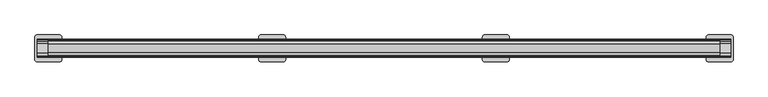
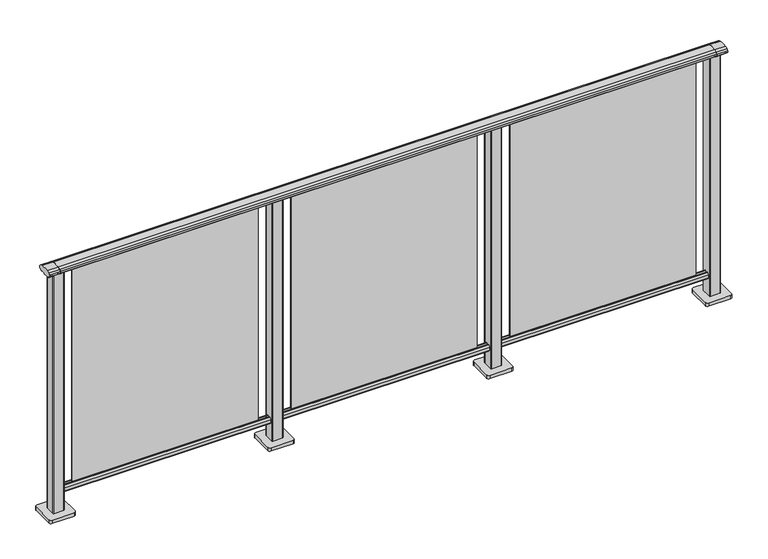
"""IFC4 building model written with IfcOpenShell, lengths in millimetres: railing geometry."""

from ifc_helpers import new_model, si_unit, point, frame, frame_2d, origin, origin_with_axes, place, context, project, spatial, polyline, circle_curve, trimmed, segment, composite_curve, outline, extrude, source, transform, mapped, element, save


def railing_6890f56e(model_context):
    return source(origin(), model_context, "Body", "SweptSolid", [
        extrude(outline(composite_curve([segment(trimmed(circle_curve(frame_2d((9095.3619413, 1153.851602)), 44.999996), [point((9106.0673858, 1197.5596459))], [point((9118.2601573, 1192.5901015))], False, "CARTESIAN"), True, "CONTINUOUS"), segment(trimmed(circle_curve(frame_2d((9109.6097194, 1177.955556)), 17.0), [point((9118.2601573, 1192.5901015))], [point((9124.1544589, 1186.7561556))], False, "CARTESIAN"), True, "CONTINUOUS"), segment(trimmed(circle_curve(frame_2d((9117.0959826, 1182.4852765)), 8.2499997), [point((9124.1544589, 1186.7561556))], [point((9124.1544535, 1178.2143885))], False, "CARTESIAN"), True, "CONTINUOUS"), segment(trimmed(circle_curve(frame_2d((9109.6097251, 1187.0150065)), 17.0), [point((9124.1544535, 1178.2143885))], [point((9118.2601665, 1172.380463))], False, "CARTESIAN"), True, "CONTINUOUS"), segment(trimmed(circle_curve(frame_2d((9095.3619413, 1211.1189571)), 44.999996), [point((9118.2601665, 1172.380463))], [point((9113.7876029, 1170.064181))], False, "CARTESIAN"), True, "CONTINUOUS"), segment(trimmed(circle_curve(frame_2d((9113.1786159, 1172.1635324)), 2.185896), [point((9113.7876029, 1170.064181))], [point((9112.9960148, 1169.9852766))], False, "CARTESIAN"), True, "CONTINUOUS"), segment(trimmed(circle_curve(frame_2d((9112.9960148, 1170.8852766)), 0.9), [point((9112.9960148, 1169.9852766))], [point((9112.0981091, 1170.8239135))], False, "CARTESIAN"), True, "CONTINUOUS"), segment(trimmed(circle_curve(frame_2d((9111.5194733, 1170.8239135)), 0.5786359), [point((9112.0981091, 1170.8239135))], [point((9111.5194733, 1170.2452777))], False, "CARTESIAN"), True, "CONTINUOUS"), segment(polyline([(9111.5194733, 1170.2452777), (9094.5751393, 1170.2452777)]), True, "CONTINUOUS"), segment(trimmed(circle_curve(frame_2d((9085.8508208, 1187.1238497)), 18.999998), [point((9094.5751393, 1170.2452777))], [point((9077.1265024, 1170.2452777))], False, "CARTESIAN"), True, "CONTINUOUS"), segment(polyline([(9077.1265024, 1170.2452777), (9060.1821348, 1170.2452777)]), True, "CONTINUOUS"), segment(trimmed(circle_curve(frame_2d((9060.1821348, 1170.8239135)), 0.5786359), [point((9060.1821348, 1170.2452777))], [point((9059.603499, 1170.8239135))], False, "CARTESIAN"), True, "CONTINUOUS"), segment(trimmed(circle_curve(frame_2d((9058.7055933, 1170.8852766)), 0.9), [point((9059.603499, 1170.8239135))], [point((9058.7055933, 1169.9852766))], False, "CARTESIAN"), True, "CONTINUOUS"), segment(trimmed(circle_curve(frame_2d((9058.5229922, 1172.1635324)), 2.185896), [point((9058.7055933, 1169.9852766))], [point((9057.9140052, 1170.064181))], False, "CARTESIAN"), True, "CONTINUOUS"), segment(trimmed(circle_curve(frame_2d((9076.3396668, 1211.1189571)), 44.999996), [point((9057.9140052, 1170.064181))], [point((9053.8767914, 1172.1264081))], False, "CARTESIAN"), True, "CONTINUOUS"), segment(trimmed(circle_curve(frame_2d((9062.082215, 1187.0150288)), 17.0), [point((9053.8767914, 1172.1264081))], [point((9047.5375128, 1178.2143675))], False, "CARTESIAN"), True, "CONTINUOUS"), segment(trimmed(circle_curve(frame_2d((9054.595971, 1182.4852765)), 8.2499997), [point((9047.5375128, 1178.2143675))], [point((9047.5375074, 1186.7561766))], False, "CARTESIAN"), True, "CONTINUOUS"), segment(trimmed(circle_curve(frame_2d((9062.0822207, 1177.9555337)), 17.0), [point((9047.5375074, 1186.7561766))], [point((9053.4317599, 1192.5900657))], False, "CARTESIAN"), True, "CONTINUOUS"), segment(trimmed(circle_curve(frame_2d((9076.3300365, 1153.851602)), 44.999996), [point((9053.4317599, 1192.5900657))], [point((9065.624592, 1197.5596459))], False, "CARTESIAN"), True, "CONTINUOUS"), segment(trimmed(circle_curve(frame_2d((9085.8459889, 1115.0000001)), 85.0), [point((9065.624592, 1197.5596459))], [point((9106.0673858, 1197.5596459))], False, "CARTESIAN"), True, "CONTINUOUS")], self_intersect=False)), frame((3691.3946925, 0.0, 0.0), z_axis=(1.0, 0.0, 0.0), x_axis=(0.0, 1.0, 0.0)), (0.0, 0.0, 1.0), 3000.0),
        extrude(outline(composite_curve([segment(polyline([(9101.5508136, 100.0), (9070.1507946, 100.0)]), True, "CONTINUOUS"), segment(trimmed(circle_curve(frame_2d((9070.1507946, 101.8)), 1.8), [point((9070.1507946, 100.0))], [point((9068.3507946, 101.8))], False, "CARTESIAN"), True, "CONTINUOUS"), segment(polyline([(9068.3507946, 101.8), (9068.3507946, 115.5269955)]), True, "CONTINUOUS"), segment(trimmed(circle_curve(frame_2d((9070.1507946, 115.5269955)), 1.8), [point((9068.3507946, 115.5269955))], [point((9068.7923399, 116.7079277))], False, "CARTESIAN"), True, "CONTINUOUS"), segment(polyline([(9068.7923399, 116.7079277), (9075.4626384, 124.3809322)]), True, "CONTINUOUS"), segment(trimmed(circle_curve(frame_2d((9076.8210931, 123.2)), 1.8), [point((9075.4626384, 124.3809322))], [point((9076.8210931, 125.0))], False, "CARTESIAN"), True, "CONTINUOUS"), segment(polyline([(9076.8210931, 125.0), (9080.5111113, 125.0), (9081.809143, 113.0), (9089.8924411, 113.0), (9091.1904978, 125.0), (9094.88054, 125.0)]), True, "CONTINUOUS"), segment(trimmed(circle_curve(frame_2d((9094.88054, 123.2)), 1.8), [point((9094.88054, 125.0))], [point((9096.2389969, 124.3809297))], False, "CARTESIAN"), True, "CONTINUOUS"), segment(polyline([(9096.2389969, 124.3809297), (9102.9092704, 116.7079252)]), True, "CONTINUOUS"), segment(trimmed(circle_curve(frame_2d((9101.5508136, 115.5269955)), 1.8), [point((9102.9092704, 116.7079252))], [point((9103.3508136, 115.5269955))], False, "CARTESIAN"), True, "CONTINUOUS"), segment(polyline([(9103.3508136, 115.5269955), (9103.3508136, 101.8)]), True, "CONTINUOUS"), segment(trimmed(circle_curve(frame_2d((9101.5508136, 101.8)), 1.8), [point((9103.3508136, 101.8))], [point((9101.5508136, 100.0))], False, "CARTESIAN"), True, "CONTINUOUS")], self_intersect=False)), frame((3691.3946925, 0.0, 0.0), z_axis=(1.0, 0.0, 0.0), x_axis=(0.0, 1.0, 0.0)), (0.0, 0.0, 1.0), 3000.0),
        extrude(outline(polyline([(5766.3946925, 9087.8508041), (6616.3946925, 9087.8508041), (6616.3946925, 9083.8508041), (5766.3946925, 9083.8508041), (5766.3946925, 9087.8508041)])), frame((0.0, 0.0, 125.0), z_axis=(0.0, 0.0, 1.0), x_axis=(1.0, 0.0, 0.0)), (0.0, 0.0, 1.0), 1043.1238517),
        extrude(outline(composite_curve([segment(trimmed(circle_curve(frame_2d((5668.994681, 9108.2508266)), 3.0), [point((5665.994681, 9108.2508266))], [point((5668.994681, 9111.2508266))], False, "CARTESIAN"), True, "CONTINUOUS"), segment(polyline([(5668.994681, 9111.2508266), (5713.794704, 9111.2508266)]), True, "CONTINUOUS"), segment(trimmed(circle_curve(frame_2d((5713.794704, 9108.2508266)), 3.0), [point((5713.794704, 9111.2508266))], [point((5716.794704, 9108.2508266))], False, "CARTESIAN"), True, "CONTINUOUS"), segment(polyline([(5716.794704, 9108.2508266), (5716.794704, 9063.4508036)]), True, "CONTINUOUS"), segment(trimmed(circle_curve(frame_2d((5713.794704, 9063.4508036)), 3.0), [point((5716.794704, 9063.4508036))], [point((5713.794704, 9060.4508036))], False, "CARTESIAN"), True, "CONTINUOUS"), segment(polyline([(5713.794704, 9060.4508036), (5668.994681, 9060.4508036)]), True, "CONTINUOUS"), segment(trimmed(circle_curve(frame_2d((5668.994681, 9063.4508036)), 3.0), [point((5668.994681, 9060.4508036))], [point((5665.994681, 9063.4508036))], False, "CARTESIAN"), True, "CONTINUOUS"), segment(polyline([(5665.994681, 9063.4508036), (5665.994681, 9108.2508266)]), True, "CONTINUOUS")], self_intersect=False)), frame((0.0, 0.0, 16.0), z_axis=(0.0, 0.0, 1.0), x_axis=(1.0, 0.0, 0.0)), (0.0, 0.0, 1.0), 1152.1238517),
        extrude(outline(composite_curve([segment(trimmed(circle_curve(frame_2d((5641.394681, 9135.8508151)), 10.0), [point((5631.394681, 9135.8508151))], [point((5641.394681, 9145.8508151))], False, "CARTESIAN"), True, "CONTINUOUS"), segment(polyline([(5641.394681, 9145.8508151), (5741.394681, 9145.8508151)]), True, "CONTINUOUS"), segment(trimmed(circle_curve(frame_2d((5741.394681, 9135.8508151)), 10.0), [point((5741.394681, 9145.8508151))], [point((5751.394681, 9135.8508151))], False, "CARTESIAN"), True, "CONTINUOUS"), segment(polyline([(5751.394681, 9135.8508151), (5751.394681, 9035.8508151)]), True, "CONTINUOUS"), segment(trimmed(circle_curve(frame_2d((5741.394681, 9035.8508151)), 10.0), [point((5751.394681, 9035.8508151))], [point((5741.394681, 9025.8508151))], False, "CARTESIAN"), True, "CONTINUOUS"), segment(polyline([(5741.394681, 9025.8508151), (5641.394681, 9025.8508151)]), True, "CONTINUOUS"), segment(trimmed(circle_curve(frame_2d((5641.394681, 9035.8508151)), 10.0), [point((5641.394681, 9025.8508151))], [point((5631.394681, 9035.8508151))], False, "CARTESIAN"), True, "CONTINUOUS"), segment(polyline([(5631.394681, 9035.8508151), (5631.394681, 9135.8508151)]), True, "CONTINUOUS")], self_intersect=False)), origin_with_axes(), (0.0, 0.0, 1.0), 16.0),
        extrude(outline(polyline([(4766.3946925, 9087.8508041), (5616.3946925, 9087.8508041), (5616.3946925, 9083.8508041), (4766.3946925, 9083.8508041), (4766.3946925, 9087.8508041)])), frame((0.0, 0.0, 125.0), z_axis=(0.0, 0.0, 1.0), x_axis=(1.0, 0.0, 0.0)), (0.0, 0.0, 1.0), 1043.1238517),
        extrude(outline(composite_curve([segment(trimmed(circle_curve(frame_2d((4668.994681, 9108.2508266)), 3.0), [point((4665.994681, 9108.2508266))], [point((4668.994681, 9111.2508266))], False, "CARTESIAN"), True, "CONTINUOUS"), segment(polyline([(4668.994681, 9111.2508266), (4713.794704, 9111.2508266)]), True, "CONTINUOUS"), segment(trimmed(circle_curve(frame_2d((4713.794704, 9108.2508266)), 3.0), [point((4713.794704, 9111.2508266))], [point((4716.794704, 9108.2508266))], False, "CARTESIAN"), True, "CONTINUOUS"), segment(polyline([(4716.794704, 9108.2508266), (4716.794704, 9063.4508036)]), True, "CONTINUOUS"), segment(trimmed(circle_curve(frame_2d((4713.794704, 9063.4508036)), 3.0), [point((4716.794704, 9063.4508036))], [point((4713.794704, 9060.4508036))], False, "CARTESIAN"), True, "CONTINUOUS"), segment(polyline([(4713.794704, 9060.4508036), (4668.994681, 9060.4508036)]), True, "CONTINUOUS"), segment(trimmed(circle_curve(frame_2d((4668.994681, 9063.4508036)), 3.0), [point((4668.994681, 9060.4508036))], [point((4665.994681, 9063.4508036))], False, "CARTESIAN"), True, "CONTINUOUS"), segment(polyline([(4665.994681, 9063.4508036), (4665.994681, 9108.2508266)]), True, "CONTINUOUS")], self_intersect=False)), frame((0.0, 0.0, 16.0), z_axis=(0.0, 0.0, 1.0), x_axis=(1.0, 0.0, 0.0)), (0.0, 0.0, 1.0), 1152.1238517),
        extrude(outline(composite_curve([segment(trimmed(circle_curve(frame_2d((4641.394681, 9135.8508151)), 10.0), [point((4631.394681, 9135.8508151))], [point((4641.394681, 9145.8508151))], False, "CARTESIAN"), True, "CONTINUOUS"), segment(polyline([(4641.394681, 9145.8508151), (4741.394681, 9145.8508151)]), True, "CONTINUOUS"), segment(trimmed(circle_curve(frame_2d((4741.394681, 9135.8508151)), 10.0), [point((4741.394681, 9145.8508151))], [point((4751.394681, 9135.8508151))], False, "CARTESIAN"), True, "CONTINUOUS"), segment(polyline([(4751.394681, 9135.8508151), (4751.394681, 9035.8508151)]), True, "CONTINUOUS"), segment(trimmed(circle_curve(frame_2d((4741.394681, 9035.8508151)), 10.0), [point((4751.394681, 9035.8508151))], [point((4741.394681, 9025.8508151))], False, "CARTESIAN"), True, "CONTINUOUS"), segment(polyline([(4741.394681, 9025.8508151), (4641.394681, 9025.8508151)]), True, "CONTINUOUS"), segment(trimmed(circle_curve(frame_2d((4641.394681, 9035.8508151)), 10.0), [point((4641.394681, 9025.8508151))], [point((4631.394681, 9035.8508151))], False, "CARTESIAN"), True, "CONTINUOUS"), segment(polyline([(4631.394681, 9035.8508151), (4631.394681, 9135.8508151)]), True, "CONTINUOUS")], self_intersect=False)), origin_with_axes(), (0.0, 0.0, 1.0), 16.0),
        extrude(outline(polyline([(3766.3946925, 9087.8508041), (4616.3946925, 9087.8508041), (4616.3946925, 9083.8508041), (3766.3946925, 9083.8508041), (3766.3946925, 9087.8508041)])), frame((0.0, 0.0, 125.0), z_axis=(0.0, 0.0, 1.0), x_axis=(1.0, 0.0, 0.0)), (0.0, 0.0, 1.0), 1043.1238517),
        extrude(outline(composite_curve([segment(trimmed(circle_curve(frame_2d((6668.994681, 9108.2508266)), 3.0), [point((6665.994681, 9108.2508266))], [point((6668.994681, 9111.2508266))], False, "CARTESIAN"), True, "CONTINUOUS"), segment(polyline([(6668.994681, 9111.2508266), (6713.794704, 9111.2508266)]), True, "CONTINUOUS"), segment(trimmed(circle_curve(frame_2d((6713.794704, 9108.2508266)), 3.0), [point((6713.794704, 9111.2508266))], [point((6716.794704, 9108.2508266))], False, "CARTESIAN"), True, "CONTINUOUS"), segment(polyline([(6716.794704, 9108.2508266), (6716.794704, 9063.4508036)]), True, "CONTINUOUS"), segment(trimmed(circle_curve(frame_2d((6713.794704, 9063.4508036)), 3.0), [point((6716.794704, 9063.4508036))], [point((6713.794704, 9060.4508036))], False, "CARTESIAN"), True, "CONTINUOUS"), segment(polyline([(6713.794704, 9060.4508036), (6668.994681, 9060.4508036)]), True, "CONTINUOUS"), segment(trimmed(circle_curve(frame_2d((6668.994681, 9063.4508036)), 3.0), [point((6668.994681, 9060.4508036))], [point((6665.994681, 9063.4508036))], False, "CARTESIAN"), True, "CONTINUOUS"), segment(polyline([(6665.994681, 9063.4508036), (6665.994681, 9108.2508266)]), True, "CONTINUOUS")], self_intersect=False)), frame((0.0, 0.0, 16.0), z_axis=(0.0, 0.0, 1.0), x_axis=(1.0, 0.0, 0.0)), (0.0, 0.0, 1.0), 1152.1238517),
        extrude(outline(composite_curve([segment(trimmed(circle_curve(frame_2d((6641.394681, 9135.8508151)), 10.0), [point((6631.394681, 9135.8508151))], [point((6641.394681, 9145.8508151))], False, "CARTESIAN"), True, "CONTINUOUS"), segment(polyline([(6641.394681, 9145.8508151), (6741.394681, 9145.8508151)]), True, "CONTINUOUS"), segment(trimmed(circle_curve(frame_2d((6741.394681, 9135.8508151)), 10.0), [point((6741.394681, 9145.8508151))], [point((6751.394681, 9135.8508151))], False, "CARTESIAN"), True, "CONTINUOUS"), segment(polyline([(6751.394681, 9135.8508151), (6751.394681, 9035.8508151)]), True, "CONTINUOUS"), segment(trimmed(circle_curve(frame_2d((6741.394681, 9035.8508151)), 10.0), [point((6751.394681, 9035.8508151))], [point((6741.394681, 9025.8508151))], False, "CARTESIAN"), True, "CONTINUOUS"), segment(polyline([(6741.394681, 9025.8508151), (6641.394681, 9025.8508151)]), True, "CONTINUOUS"), segment(trimmed(circle_curve(frame_2d((6641.394681, 9035.8508151)), 10.0), [point((6641.394681, 9025.8508151))], [point((6631.394681, 9035.8508151))], False, "CARTESIAN"), True, "CONTINUOUS"), segment(polyline([(6631.394681, 9035.8508151), (6631.394681, 9135.8508151)]), True, "CONTINUOUS")], self_intersect=False)), origin_with_axes(), (0.0, 0.0, 1.0), 16.0),
        extrude(outline(composite_curve([segment(trimmed(circle_curve(frame_2d((9095.3619413, 1153.7397763)), 44.999996), [point((9106.0673858, 1197.4478202))], [point((9118.2601573, 1192.4782759))], False, "CARTESIAN"), True, "CONTINUOUS"), segment(trimmed(circle_curve(frame_2d((9109.6097194, 1177.8437303)), 17.0), [point((9118.2601573, 1192.4782759))], [point((9124.1544589, 1186.64433))], False, "CARTESIAN"), True, "CONTINUOUS"), segment(trimmed(circle_curve(frame_2d((9117.0959826, 1182.3734509)), 8.2499997), [point((9124.1544589, 1186.64433))], [point((9124.1544535, 1178.1025629))], False, "CARTESIAN"), True, "CONTINUOUS"), segment(trimmed(circle_curve(frame_2d((9109.6097251, 1186.9031808)), 17.0), [point((9124.1544535, 1178.1025629))], [point((9118.2601665, 1172.2686373))], False, "CARTESIAN"), True, "CONTINUOUS"), segment(trimmed(circle_curve(frame_2d((9095.3619413, 1211.0071314)), 44.999996), [point((9118.2601665, 1172.2686373))], [point((9113.7876029, 1169.9523554))], False, "CARTESIAN"), True, "CONTINUOUS"), segment(trimmed(circle_curve(frame_2d((9113.1786159, 1172.0517067)), 2.185896), [point((9113.7876029, 1169.9523554))], [point((9112.9960148, 1169.873451))], False, "CARTESIAN"), True, "CONTINUOUS"), segment(trimmed(circle_curve(frame_2d((9112.9960148, 1170.773451)), 0.9), [point((9112.9960148, 1169.873451))], [point((9112.0981091, 1170.7120879))], False, "CARTESIAN"), True, "CONTINUOUS"), segment(trimmed(circle_curve(frame_2d((9111.5194733, 1170.7120879)), 0.5786359), [point((9112.0981091, 1170.7120879))], [point((9111.5194733, 1170.133452))], False, "CARTESIAN"), True, "CONTINUOUS"), segment(polyline([(9111.5194733, 1170.133452), (9094.5751393, 1170.133452)]), True, "CONTINUOUS"), segment(trimmed(circle_curve(frame_2d((9085.8508208, 1187.012024)), 18.999998), [point((9094.5751393, 1170.133452))], [point((9077.1265024, 1170.133452))], False, "CARTESIAN"), True, "CONTINUOUS"), segment(polyline([(9077.1265024, 1170.133452), (9060.1821348, 1170.133452)]), True, "CONTINUOUS"), segment(trimmed(circle_curve(frame_2d((9060.1821348, 1170.7120879)), 0.5786359), [point((9060.1821348, 1170.133452))], [point((9059.603499, 1170.7120879))], False, "CARTESIAN"), True, "CONTINUOUS"), segment(trimmed(circle_curve(frame_2d((9058.7055933, 1170.773451)), 0.9), [point((9059.603499, 1170.7120879))], [point((9058.7055933, 1169.873451))], False, "CARTESIAN"), True, "CONTINUOUS"), segment(trimmed(circle_curve(frame_2d((9058.5229922, 1172.0517067)), 2.185896), [point((9058.7055933, 1169.873451))], [point((9057.9140052, 1169.9523554))], False, "CARTESIAN"), True, "CONTINUOUS"), segment(trimmed(circle_curve(frame_2d((9076.3396668, 1211.0071314)), 44.999996), [point((9057.9140052, 1169.9523554))], [point((9053.8767914, 1172.0145825))], False, "CARTESIAN"), True, "CONTINUOUS"), segment(trimmed(circle_curve(frame_2d((9062.082215, 1186.9032031)), 17.0), [point((9053.8767914, 1172.0145825))], [point((9047.5375128, 1178.1025419))], False, "CARTESIAN"), True, "CONTINUOUS"), segment(trimmed(circle_curve(frame_2d((9054.595971, 1182.3734509)), 8.2499997), [point((9047.5375128, 1178.1025419))], [point((9047.5375074, 1186.644351))], False, "CARTESIAN"), True, "CONTINUOUS"), segment(trimmed(circle_curve(frame_2d((9062.0822207, 1177.843708)), 17.0), [point((9047.5375074, 1186.644351))], [point((9053.4317599, 1192.4782401))], False, "CARTESIAN"), True, "CONTINUOUS"), segment(trimmed(circle_curve(frame_2d((9076.3300365, 1153.7397763)), 44.999996), [point((9053.4317599, 1192.4782401))], [point((9065.624592, 1197.4478202))], False, "CARTESIAN"), True, "CONTINUOUS"), segment(trimmed(circle_curve(frame_2d((9085.8459889, 1114.8881745)), 85.0), [point((9065.624592, 1197.4478202))], [point((9106.0673858, 1197.4478202))], False, "CARTESIAN"), True, "CONTINUOUS")], self_intersect=False)), frame((6691.3946925, 0.0, 0.0), z_axis=(1.0, 0.0, 0.0), x_axis=(0.0, 1.0, 0.0)), (0.0, 0.0, 1.0), 50.0),
        extrude(outline(composite_curve([segment(trimmed(circle_curve(frame_2d((3668.994681, 9108.2508266)), 3.0), [point((3665.994681, 9108.2508266))], [point((3668.994681, 9111.2508266))], False, "CARTESIAN"), True, "CONTINUOUS"), segment(polyline([(3668.994681, 9111.2508266), (3713.794704, 9111.2508266)]), True, "CONTINUOUS"), segment(trimmed(circle_curve(frame_2d((3713.794704, 9108.2508266)), 3.0), [point((3713.794704, 9111.2508266))], [point((3716.794704, 9108.2508266))], False, "CARTESIAN"), True, "CONTINUOUS"), segment(polyline([(3716.794704, 9108.2508266), (3716.794704, 9063.4508036)]), True, "CONTINUOUS"), segment(trimmed(circle_curve(frame_2d((3713.794704, 9063.4508036)), 3.0), [point((3716.794704, 9063.4508036))], [point((3713.794704, 9060.4508036))], False, "CARTESIAN"), True, "CONTINUOUS"), segment(polyline([(3713.794704, 9060.4508036), (3668.994681, 9060.4508036)]), True, "CONTINUOUS"), segment(trimmed(circle_curve(frame_2d((3668.994681, 9063.4508036)), 3.0), [point((3668.994681, 9060.4508036))], [point((3665.994681, 9063.4508036))], False, "CARTESIAN"), True, "CONTINUOUS"), segment(polyline([(3665.994681, 9063.4508036), (3665.994681, 9108.2508266)]), True, "CONTINUOUS")], self_intersect=False)), frame((0.0, 0.0, 16.0), z_axis=(0.0, 0.0, 1.0), x_axis=(1.0, 0.0, 0.0)), (0.0, 0.0, 1.0), 1152.1238517),
        extrude(outline(composite_curve([segment(trimmed(circle_curve(frame_2d((3641.394681, 9135.8508151)), 10.0), [point((3631.394681, 9135.8508151))], [point((3641.394681, 9145.8508151))], False, "CARTESIAN"), True, "CONTINUOUS"), segment(polyline([(3641.394681, 9145.8508151), (3741.394681, 9145.8508151)]), True, "CONTINUOUS"), segment(trimmed(circle_curve(frame_2d((3741.394681, 9135.8508151)), 10.0), [point((3741.394681, 9145.8508151))], [point((3751.394681, 9135.8508151))], False, "CARTESIAN"), True, "CONTINUOUS"), segment(polyline([(3751.394681, 9135.8508151), (3751.394681, 9035.8508151)]), True, "CONTINUOUS"), segment(trimmed(circle_curve(frame_2d((3741.394681, 9035.8508151)), 10.0), [point((3751.394681, 9035.8508151))], [point((3741.394681, 9025.8508151))], False, "CARTESIAN"), True, "CONTINUOUS"), segment(polyline([(3741.394681, 9025.8508151), (3641.394681, 9025.8508151)]), True, "CONTINUOUS"), segment(trimmed(circle_curve(frame_2d((3641.394681, 9035.8508151)), 10.0), [point((3641.394681, 9025.8508151))], [point((3631.394681, 9035.8508151))], False, "CARTESIAN"), True, "CONTINUOUS"), segment(polyline([(3631.394681, 9035.8508151), (3631.394681, 9135.8508151)]), True, "CONTINUOUS")], self_intersect=False)), origin_with_axes(), (0.0, 0.0, 1.0), 16.0),
        extrude(outline(composite_curve([segment(trimmed(circle_curve(frame_2d((9095.3619413, 1153.7397763)), 44.999996), [point((9106.0673858, 1197.4478202))], [point((9118.2601573, 1192.4782759))], False, "CARTESIAN"), True, "CONTINUOUS"), segment(trimmed(circle_curve(frame_2d((9109.6097194, 1177.8437303)), 17.0), [point((9118.2601573, 1192.4782759))], [point((9124.1544589, 1186.64433))], False, "CARTESIAN"), True, "CONTINUOUS"), segment(trimmed(circle_curve(frame_2d((9117.0959826, 1182.3734509)), 8.2499997), [point((9124.1544589, 1186.64433))], [point((9124.1544535, 1178.1025629))], False, "CARTESIAN"), True, "CONTINUOUS"), segment(trimmed(circle_curve(frame_2d((9109.6097251, 1186.9031808)), 17.0), [point((9124.1544535, 1178.1025629))], [point((9118.2601665, 1172.2686373))], False, "CARTESIAN"), True, "CONTINUOUS"), segment(trimmed(circle_curve(frame_2d((9095.3619413, 1211.0071314)), 44.999996), [point((9118.2601665, 1172.2686373))], [point((9113.7876029, 1169.9523554))], False, "CARTESIAN"), True, "CONTINUOUS"), segment(trimmed(circle_curve(frame_2d((9113.1786159, 1172.0517067)), 2.185896), [point((9113.7876029, 1169.9523554))], [point((9112.9960148, 1169.873451))], False, "CARTESIAN"), True, "CONTINUOUS"), segment(trimmed(circle_curve(frame_2d((9112.9960148, 1170.773451)), 0.9), [point((9112.9960148, 1169.873451))], [point((9112.0981091, 1170.7120879))], False, "CARTESIAN"), True, "CONTINUOUS"), segment(trimmed(circle_curve(frame_2d((9111.5194733, 1170.7120879)), 0.5786359), [point((9112.0981091, 1170.7120879))], [point((9111.5194733, 1170.133452))], False, "CARTESIAN"), True, "CONTINUOUS"), segment(polyline([(9111.5194733, 1170.133452), (9094.5751393, 1170.133452)]), True, "CONTINUOUS"), segment(trimmed(circle_curve(frame_2d((9085.8508208, 1187.012024)), 18.999998), [point((9094.5751393, 1170.133452))], [point((9077.1265024, 1170.133452))], False, "CARTESIAN"), True, "CONTINUOUS"), segment(polyline([(9077.1265024, 1170.133452), (9060.1821348, 1170.133452)]), True, "CONTINUOUS"), segment(trimmed(circle_curve(frame_2d((9060.1821348, 1170.7120879)), 0.5786359), [point((9060.1821348, 1170.133452))], [point((9059.603499, 1170.7120879))], False, "CARTESIAN"), True, "CONTINUOUS"), segment(trimmed(circle_curve(frame_2d((9058.7055933, 1170.773451)), 0.9), [point((9059.603499, 1170.7120879))], [point((9058.7055933, 1169.873451))], False, "CARTESIAN"), True, "CONTINUOUS"), segment(trimmed(circle_curve(frame_2d((9058.5229922, 1172.0517067)), 2.185896), [point((9058.7055933, 1169.873451))], [point((9057.9140052, 1169.9523554))], False, "CARTESIAN"), True, "CONTINUOUS"), segment(trimmed(circle_curve(frame_2d((9076.3396668, 1211.0071314)), 44.999996), [point((9057.9140052, 1169.9523554))], [point((9053.8767914, 1172.0145825))], False, "CARTESIAN"), True, "CONTINUOUS"), segment(trimmed(circle_curve(frame_2d((9062.082215, 1186.9032031)), 17.0), [point((9053.8767914, 1172.0145825))], [point((9047.5375128, 1178.1025419))], False, "CARTESIAN"), True, "CONTINUOUS"), segment(trimmed(circle_curve(frame_2d((9054.595971, 1182.3734509)), 8.2499997), [point((9047.5375128, 1178.1025419))], [point((9047.5375074, 1186.644351))], False, "CARTESIAN"), True, "CONTINUOUS"), segment(trimmed(circle_curve(frame_2d((9062.0822207, 1177.843708)), 17.0), [point((9047.5375074, 1186.644351))], [point((9053.4317599, 1192.4782401))], False, "CARTESIAN"), True, "CONTINUOUS"), segment(trimmed(circle_curve(frame_2d((9076.3300365, 1153.7397763)), 44.999996), [point((9053.4317599, 1192.4782401))], [point((9065.624592, 1197.4478202))], False, "CARTESIAN"), True, "CONTINUOUS"), segment(trimmed(circle_curve(frame_2d((9085.8459889, 1114.8881745)), 85.0), [point((9065.624592, 1197.4478202))], [point((9106.0673858, 1197.4478202))], False, "CARTESIAN"), True, "CONTINUOUS")], self_intersect=False)), frame((3641.3946925, 0.0, 0.0), z_axis=(1.0, 0.0, 0.0), x_axis=(0.0, 1.0, 0.0)), (0.0, 0.0, 1.0), 50.0),
    ])


if __name__ == "__main__":
    model = new_model("IFC4")
    model_context = context("Model", 3, world=origin())
    ifc_project = project(units=[si_unit("LENGTHUNIT", "METRE", prefix="MILLI")], contexts=[model_context])
    site = spatial("IfcSite", under=ifc_project)
    building = spatial("IfcBuilding", under=site)
    placement = place(None, origin())
    railing_shape = railing_6890f56e(model_context)
    element("IfcRailing", 1, at=placement, inside=building, context=model_context, shape_type="MappedRepresentation", body=[
        mapped(railing_shape, transform((0.0, 0.0, 0.0), x_axis=(1.0, 0.0, 0.0), y_axis=(0.0, 1.0, 0.0), z_axis=(0.0, 0.0, 1.0))),
    ])
    save(model, "model.ifc")
